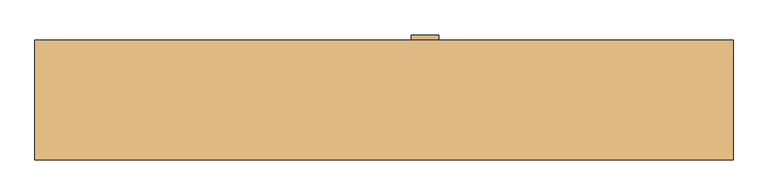
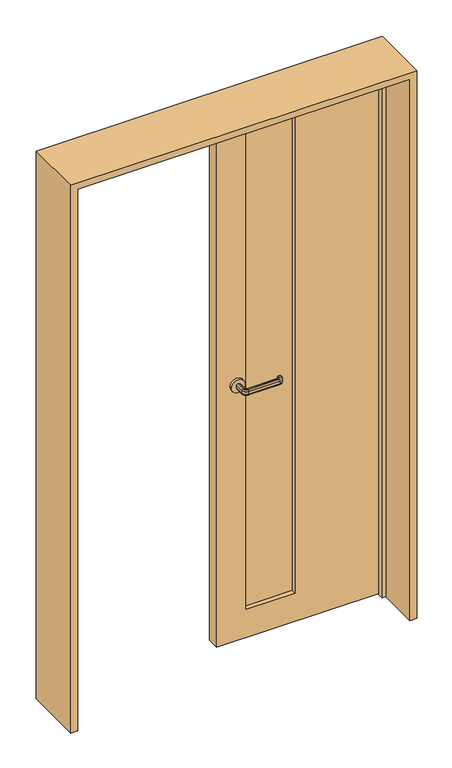
"""IFC4 building model written with IfcOpenShell, lengths in millimetres: door geometry."""

from ifc_helpers import new_model, si_unit, point, frame, frame_2d, origin, place, context, project, spatial, polyline, circle_curve, ellipse_curve, trimmed, segment, composite_curve, outline, extrude, faceted_brep, source, transform, mapped, element, save
from ifc_brep_helpers import plane_surface, cylinder_surface, revolved_surface, advanced_brep


def door_27b99b80(model_context):
    return source(origin(), model_context, "Body", "SolidModel", [
        advanced_brep(
        [(77.0, 55.0, 995.0), (73.0, 55.0, 995.0), (68.0, 55.0, 1000.0), (68.0, 55.0, 1010.0), (73.0, 55.0, 1015.0), (77.0, 55.0, 1015.0), (82.0, 55.0, 1010.0), (82.0, 55.0, 1000.0), (77.0, 22.5, 995.0), (85.0, 14.5, 995.0), (200.0, 14.5, 995.0), (208.0, 22.5, 995.0), (208.0, 27.5, 995.0), (212.0, 27.5, 995.0), (212.0, 22.5, 995.0), (200.0, 10.5, 995.0), (85.0, 10.5, 995.0), (73.0, 22.5, 995.0), (68.0, 22.5, 1000.0), (68.0, 22.5, 1010.0), (73.0, 22.5, 1015.0), (85.0, 10.5, 1015.0), (200.0, 10.5, 1015.0), (212.0, 22.5, 1015.0), (212.0, 27.5, 1015.0), (208.0, 27.5, 1015.0), (208.0, 22.5, 1015.0), (200.0, 14.5, 1015.0), (85.0, 14.5, 1015.0), (77.0, 22.5, 1015.0), (82.0, 22.5, 1010.0), (82.0, 22.5, 1000.0), (85.0, 5.5, 1000.0), (85.0, 5.5, 1010.0), (85.0, 19.5, 1010.0), (85.0, 19.5, 1000.0), (200.0, 5.5, 1000.0), (200.0, 5.5, 1010.0), (200.0, 19.5, 1010.0), (200.0, 19.5, 1000.0), (217.0, 22.5, 1000.0), (217.0, 22.5, 1010.0), (203.0, 22.5, 1010.0), (203.0, 22.5, 1000.0), (203.0, 27.5, 1000.0), (203.0, 27.5, 1010.0), (217.0, 27.5, 1010.0), (217.0, 27.5, 1000.0)],
        [
            (0, 1),
            (1, 2, circle_curve(frame((73.0, 55.0, 1000.0), z_axis=(0.0, 1.0, 0.0), x_axis=(1.0, 0.0, 0.0)), 5.0)),
            (2, 3),
            (3, 4, circle_curve(frame((73.0, 55.0, 1010.0), z_axis=(0.0, 1.0, 0.0), x_axis=(1.0, 0.0, 0.0)), 5.0)),
            (4, 5),
            (5, 6, circle_curve(frame((77.0, 55.0, 1010.0), z_axis=(0.0, 1.0, 0.0), x_axis=(1.0, 0.0, 0.0)), 5.0)),
            (6, 7),
            (7, 0, circle_curve(frame((77.0, 55.0, 1000.0), z_axis=(0.0, 1.0, 0.0), x_axis=(1.0, 0.0, 0.0)), 5.0)),
            (0, 8),
            (8, 9, circle_curve(frame((85.0, 22.5, 995.0), z_axis=(0.0, 0.0, 1.0), x_axis=(-1.0, 0.0, 0.0)), 8.0)),
            (9, 10),
            (10, 11, circle_curve(frame((200.0, 22.5, 995.0), z_axis=(0.0, 0.0, 1.0), x_axis=(0.0, -1.0, 0.0)), 8.0)),
            (11, 12),
            (12, 13),
            (13, 14),
            (14, 15, circle_curve(frame((200.0, 22.5, 995.0), z_axis=(0.0, 0.0, -1.0), x_axis=(0.0, -1.0, 0.0)), 12.0)),
            (15, 16),
            (16, 17, circle_curve(frame((85.0, 22.5, 995.0), z_axis=(0.0, 0.0, -1.0), x_axis=(-1.0, 0.0, 0.0)), 12.0)),
            (17, 1),
            (17, 18, circle_curve(frame((73.0, 22.5, 1000.0), z_axis=(0.0, 1.0, 0.0), x_axis=(1.0, 0.0, 0.0)), 5.0)),
            (18, 2),
            (18, 19),
            (19, 3),
            (19, 20, circle_curve(frame((73.0, 22.5, 1010.0), z_axis=(0.0, 1.0, 0.0), x_axis=(1.0, 0.0, 0.0)), 5.0)),
            (20, 4),
            (20, 21, circle_curve(frame((85.0, 22.5, 1015.0), z_axis=(0.0, 0.0, 1.0), x_axis=(-1.0, 0.0, 0.0)), 12.0)),
            (21, 22),
            (22, 23, circle_curve(frame((200.0, 22.5, 1015.0), z_axis=(0.0, 0.0, 1.0), x_axis=(0.0, -1.0, 0.0)), 12.0)),
            (23, 24),
            (24, 25),
            (25, 26),
            (26, 27, circle_curve(frame((200.0, 22.5, 1015.0), z_axis=(0.0, 0.0, -1.0), x_axis=(0.0, -1.0, 0.0)), 8.0)),
            (27, 28),
            (28, 29, circle_curve(frame((85.0, 22.5, 1015.0), z_axis=(0.0, 0.0, -1.0), x_axis=(-1.0, 0.0, 0.0)), 8.0)),
            (29, 5),
            (29, 30, circle_curve(frame((77.0, 22.5, 1010.0), z_axis=(0.0, 1.0, 0.0), x_axis=(1.0, 0.0, 0.0)), 5.0)),
            (30, 6),
            (30, 31),
            (31, 7),
            (31, 8, circle_curve(frame((77.0, 22.5, 1000.0), z_axis=(0.0, 1.0, 0.0), x_axis=(1.0, 0.0, 0.0)), 5.0)),
            (32, 18, circle_curve(frame((85.0, 22.5, 1000.0), z_axis=(0.0, 0.0, -1.0), x_axis=(-1.0, 0.0, 0.0)), 17.0)),
            (16, 32, circle_curve(frame((85.0, 10.5, 1000.0), z_axis=(-1.0, 0.0, 0.0), x_axis=(0.0, 1.0, 0.0)), 5.0)),
            (33, 19, circle_curve(frame((85.0, 22.5, 1010.0), z_axis=(0.0, 0.0, -1.0), x_axis=(-1.0, 0.0, 0.0)), 17.0)),
            (32, 33),
            (33, 21, circle_curve(frame((85.0, 10.5, 1010.0), z_axis=(-1.0, 0.0, 0.0), x_axis=(0.0, 1.0, 0.0)), 5.0)),
            (34, 30, circle_curve(frame((85.0, 22.5, 1010.0), z_axis=(0.0, 0.0, -1.0), x_axis=(-1.0, 0.0, 0.0)), 3.0)),
            (28, 34, circle_curve(frame((85.0, 14.5, 1010.0), z_axis=(-1.0, 0.0, 0.0), x_axis=(0.0, 1.0, 0.0)), 5.0)),
            (35, 31, circle_curve(frame((85.0, 22.5, 1000.0), z_axis=(0.0, 0.0, -1.0), x_axis=(-1.0, 0.0, 0.0)), 3.0)),
            (34, 35),
            (35, 9, circle_curve(frame((85.0, 14.5, 1000.0), z_axis=(-1.0, 0.0, 0.0), x_axis=(0.0, 1.0, 0.0)), 5.0)),
            (15, 36, circle_curve(frame((200.0, 10.5, 1000.0), z_axis=(-1.0, 0.0, 0.0), x_axis=(0.0, 1.0, 0.0)), 5.0)),
            (36, 32),
            (36, 37),
            (37, 33),
            (37, 22, circle_curve(frame((200.0, 10.5, 1010.0), z_axis=(-1.0, 0.0, 0.0), x_axis=(0.0, 1.0, 0.0)), 5.0)),
            (27, 38, circle_curve(frame((200.0, 14.5, 1010.0), z_axis=(-1.0, 0.0, 0.0), x_axis=(0.0, 1.0, 0.0)), 5.0)),
            (38, 34),
            (38, 39),
            (39, 35),
            (39, 10, circle_curve(frame((200.0, 14.5, 1000.0), z_axis=(-1.0, 0.0, 0.0), x_axis=(0.0, 1.0, 0.0)), 5.0)),
            (40, 36, circle_curve(frame((200.0, 22.5, 1000.0), z_axis=(0.0, 0.0, -1.0), x_axis=(0.0, -1.0, 0.0)), 17.0)),
            (14, 40, circle_curve(frame((212.0, 22.5, 1000.0), z_axis=(0.0, -1.0, 0.0), x_axis=(-1.0, 0.0, 0.0)), 5.0)),
            (41, 37, circle_curve(frame((200.0, 22.5, 1010.0), z_axis=(0.0, 0.0, -1.0), x_axis=(0.0, -1.0, 0.0)), 17.0)),
            (40, 41),
            (41, 23, circle_curve(frame((212.0, 22.5, 1010.0), z_axis=(0.0, -1.0, 0.0), x_axis=(-1.0, 0.0, 0.0)), 5.0)),
            (42, 38, circle_curve(frame((200.0, 22.5, 1010.0), z_axis=(0.0, 0.0, -1.0), x_axis=(0.0, -1.0, 0.0)), 3.0)),
            (26, 42, circle_curve(frame((208.0, 22.5, 1010.0), z_axis=(0.0, -1.0, 0.0), x_axis=(-1.0, 0.0, 0.0)), 5.0)),
            (43, 39, circle_curve(frame((200.0, 22.5, 1000.0), z_axis=(0.0, 0.0, -1.0), x_axis=(0.0, -1.0, 0.0)), 3.0)),
            (42, 43),
            (43, 11, circle_curve(frame((208.0, 22.5, 1000.0), z_axis=(0.0, -1.0, 0.0), x_axis=(-1.0, 0.0, 0.0)), 5.0)),
            (12, 44, circle_curve(frame((208.0, 27.5, 1000.0), z_axis=(0.0, 1.0, 0.0), x_axis=(-1.0, 0.0, 0.0)), 5.0)),
            (44, 45),
            (45, 25, circle_curve(frame((208.0, 27.5, 1010.0), z_axis=(0.0, 1.0, 0.0), x_axis=(-1.0, 0.0, 0.0)), 5.0)),
            (24, 46, circle_curve(frame((212.0, 27.5, 1010.0), z_axis=(0.0, 1.0, 0.0), x_axis=(-1.0, 0.0, 0.0)), 5.0)),
            (46, 47),
            (47, 13, circle_curve(frame((212.0, 27.5, 1000.0), z_axis=(0.0, 1.0, 0.0), x_axis=(-1.0, 0.0, 0.0)), 5.0)),
            (47, 40),
            (46, 41),
            (45, 42),
            (44, 43),
        ],
        [
            plane_surface(frame((64.801961, 55.0, 1005.0), z_axis=(0.0, 1.0, 0.0), x_axis=(0.0, 0.0, -1.0))),
            plane_surface(frame((77.0, 55.0, 995.0), z_axis=(0.0, 0.0, -1.0), x_axis=(0.0, -1.0, 0.0))),
            cylinder_surface(frame((73.0, 55.0, 1000.0), z_axis=(0.0, 1.0, 0.0), x_axis=(1.0, 0.0, 0.0)), 5.0),
            plane_surface(frame((68.0, 55.0, 1000.0), z_axis=(-1.0, 0.0, 0.0), x_axis=(0.0, -1.0, 0.0))),
            cylinder_surface(frame((73.0, 55.0, 1010.0), z_axis=(0.0, 1.0, 0.0), x_axis=(1.0, 0.0, 0.0)), 5.0),
            plane_surface(frame((73.0, 55.0, 1015.0), z_axis=(0.0, 0.0, 1.0), x_axis=(0.0, -1.0, 0.0))),
            cylinder_surface(frame((77.0, 55.0, 1010.0), z_axis=(0.0, 1.0, 0.0), x_axis=(1.0, 0.0, 0.0)), 5.0),
            plane_surface(frame((82.0, 55.0, 1010.0), z_axis=(1.0, 0.0, 0.0), x_axis=(0.0, -1.0, 0.0))),
            cylinder_surface(frame((77.0, 55.0, 1000.0), z_axis=(0.0, 1.0, 0.0), x_axis=(1.0, 0.0, 0.0)), 5.0),
            revolved_surface(trimmed(ellipse_curve(frame((73.0, 22.5, 1000.0), z_axis=(0.0, 1.0, 0.0), x_axis=(1.0, 0.0, 0.0)), 5.0, 5.0), [point((73.0, 22.5, 995.0))], [point((68.0, 22.5, 1000.0))], True, "CARTESIAN"), (85.0, 22.5, 1005.0), (0.0, 0.0, 1.0)),
            cylinder_surface(frame((85.0, 22.5, 1005.0), z_axis=(0.0, 0.0, 1.0), x_axis=(-1.0, 0.0, 0.0)), 17.0),
            revolved_surface(trimmed(ellipse_curve(frame((73.0, 22.5, 1010.0), z_axis=(0.0, 1.0, 0.0), x_axis=(1.0, 0.0, 0.0)), 5.0, 5.0), [point((68.0, 22.5, 1010.0))], [point((73.0, 22.5, 1015.0))], True, "CARTESIAN"), (85.0, 22.5, 1005.0), (0.0, 0.0, 1.0)),
            revolved_surface(trimmed(ellipse_curve(frame((77.0, 22.5, 1010.0), z_axis=(0.0, 1.0, 0.0), x_axis=(1.0, 0.0, 0.0)), 5.0, 5.0), [point((77.0, 22.5, 1015.0))], [point((82.0, 22.5, 1010.0))], True, "CARTESIAN"), (85.0, 22.5, 1005.0), (0.0, 0.0, 1.0)),
            revolved_surface(polyline([(82.0, 22.5, 1010.0), (82.0, 22.5, 1000.0)]), (85.0, 22.5, 1005.0), (0.0, 0.0, 1.0)),
            revolved_surface(trimmed(ellipse_curve(frame((77.0, 22.5, 1000.0), z_axis=(0.0, 1.0, 0.0), x_axis=(1.0, 0.0, 0.0)), 5.0, 5.0), [point((82.0, 22.5, 1000.0))], [point((77.0, 22.5, 995.0))], True, "CARTESIAN"), (85.0, 22.5, 1005.0), (0.0, 0.0, 1.0)),
            cylinder_surface(frame((85.0, 10.5, 1000.0), z_axis=(-1.0, 0.0, 0.0), x_axis=(0.0, 1.0, 0.0)), 5.0),
            plane_surface(frame((85.0, 5.5, 1000.0), z_axis=(0.0, -1.0, 0.0), x_axis=(1.0, 0.0, 0.0))),
            cylinder_surface(frame((85.0, 10.5, 1010.0), z_axis=(-1.0, 0.0, 0.0), x_axis=(0.0, 1.0, 0.0)), 5.0),
            cylinder_surface(frame((85.0, 14.5, 1010.0), z_axis=(-1.0, 0.0, 0.0), x_axis=(0.0, 1.0, 0.0)), 5.0),
            plane_surface(frame((85.0, 19.5, 1010.0), z_axis=(0.0, 1.0, 0.0), x_axis=(1.0, 0.0, 0.0))),
            cylinder_surface(frame((85.0, 14.5, 1000.0), z_axis=(-1.0, 0.0, 0.0), x_axis=(0.0, 1.0, 0.0)), 5.0),
            revolved_surface(trimmed(ellipse_curve(frame((200.0, 10.5, 1000.0), z_axis=(-1.0, 0.0, 0.0), x_axis=(0.0, 1.0, 0.0)), 5.0, 5.0), [point((200.0, 10.5, 995.0))], [point((200.0, 5.5, 1000.0))], True, "CARTESIAN"), (200.0, 22.5, 1005.0), (0.0, 0.0, 1.0)),
            cylinder_surface(frame((200.0, 22.5, 1005.0), z_axis=(0.0, 0.0, 1.0), x_axis=(0.0, -1.0, 0.0)), 17.0),
            revolved_surface(trimmed(ellipse_curve(frame((200.0, 10.5, 1010.0), z_axis=(-1.0, 0.0, 0.0), x_axis=(0.0, 1.0, 0.0)), 5.0, 5.0), [point((200.0, 5.5, 1010.0))], [point((200.0, 10.5, 1015.0))], True, "CARTESIAN"), (200.0, 22.5, 1005.0), (0.0, 0.0, 1.0)),
            revolved_surface(trimmed(ellipse_curve(frame((200.0, 14.5, 1010.0), z_axis=(-1.0, 0.0, 0.0), x_axis=(0.0, 1.0, 0.0)), 5.0, 5.0), [point((200.0, 14.5, 1015.0))], [point((200.0, 19.5, 1010.0))], True, "CARTESIAN"), (200.0, 22.5, 1005.0), (0.0, 0.0, 1.0)),
            revolved_surface(polyline([(200.0, 19.5, 1010.0), (200.0, 19.5, 1000.0)]), (200.0, 22.5, 1005.0), (0.0, 0.0, 1.0)),
            revolved_surface(trimmed(ellipse_curve(frame((200.0, 14.5, 1000.0), z_axis=(-1.0, 0.0, 0.0), x_axis=(0.0, 1.0, 0.0)), 5.0, 5.0), [point((200.0, 19.5, 1000.0))], [point((200.0, 14.5, 995.0))], True, "CARTESIAN"), (200.0, 22.5, 1005.0), (0.0, 0.0, 1.0)),
            plane_surface(frame((199.801961, 27.5, 1005.0), z_axis=(0.0, 1.0, 0.0), x_axis=(0.0, 0.0, 1.0))),
            cylinder_surface(frame((212.0, 22.5, 1000.0), z_axis=(0.0, -1.0, 0.0), x_axis=(-1.0, 0.0, 0.0)), 5.0),
            plane_surface(frame((217.0, 22.5, 1000.0), z_axis=(1.0, 0.0, 0.0), x_axis=(0.0, 1.0, 0.0))),
            cylinder_surface(frame((212.0, 22.5, 1010.0), z_axis=(0.0, -1.0, 0.0), x_axis=(-1.0, 0.0, 0.0)), 5.0),
            cylinder_surface(frame((208.0, 22.5, 1010.0), z_axis=(0.0, -1.0, 0.0), x_axis=(-1.0, 0.0, 0.0)), 5.0),
            plane_surface(frame((203.0, 22.5, 1010.0), z_axis=(-1.0, 0.0, 0.0), x_axis=(0.0, 1.0, 0.0))),
            cylinder_surface(frame((208.0, 22.5, 1000.0), z_axis=(0.0, -1.0, 0.0), x_axis=(-1.0, 0.0, 0.0)), 5.0),
        ],
        [
            (0, [[1, 2, 3, 4, 5, 6, 7, 8]]),
            (1, [[-1, 9, 10, 11, 12, 13, 14, 15, 16, 17, 18, 19]]),
            (2, [[-2, -19, 20, 21]]),
            (3, [[-3, -21, 22, 23]]),
            (4, [[-4, -23, 24, 25]]),
            (5, [[-5, -25, 26, 27, 28, 29, 30, 31, 32, 33, 34, 35]]),
            (6, [[-6, -35, 36, 37]]),
            (7, [[-7, -37, 38, 39]]),
            (8, [[-8, -39, 40, -9]]),
            (9, [[41, -20, -18, 42]]),
            (10, [[43, -22, -41, 44]]),
            (11, [[-26, -24, -43, 45]]),
            (12, [[46, -36, -34, 47]]),
            (13, [[48, -38, -46, 49]]),
            (14, [[-10, -40, -48, 50]]),
            (15, [[-42, -17, 51, 52]]),
            (16, [[-44, -52, 53, 54]]),
            (17, [[-45, -54, 55, -27]]),
            (18, [[-47, -33, 56, 57]]),
            (19, [[-49, -57, 58, 59]]),
            (20, [[-50, -59, 60, -11]]),
            (21, [[61, -51, -16, 62]]),
            (22, [[63, -53, -61, 64]]),
            (23, [[-28, -55, -63, 65]]),
            (24, [[66, -56, -32, 67]]),
            (25, [[68, -58, -66, 69]]),
            (26, [[-12, -60, -68, 70]]),
            (27, [[71, 72, 73, -30, 74, 75, 76, -14]]),
            (28, [[-62, -15, -76, 77]]),
            (29, [[-64, -77, -75, 78]]),
            (30, [[-65, -78, -74, -29]]),
            (31, [[-67, -31, -73, 79]]),
            (32, [[-69, -79, -72, 80]]),
            (33, [[-70, -80, -71, -13]]),
        ],
    ),
        extrude(outline(composite_curve([segment(trimmed(circle_curve(frame_2d((1005.0, 75.0)), 25.0), [point((1005.0, 50.0))], [point((1005.0, 100.0))], False, "CARTESIAN"), True, "CONTINUOUS"), segment(trimmed(circle_curve(frame_2d((1005.0, 75.0)), 25.0), [point((1005.0, 100.0))], [point((1005.0, 50.0))], False, "CARTESIAN"), True, "CONTINUOUS")], self_intersect=False)), frame((0.0, 110.0, 0.0), z_axis=(0.0, 1.0, 0.0), x_axis=(0.0, 0.0, 1.0)), (0.0, 0.0, 1.0), 10.0),
        extrude(outline(composite_curve([segment(trimmed(circle_curve(frame_2d((1005.0, 75.0)), 25.0), [point((1005.0, 50.0))], [point((1005.0, 100.0))], False, "CARTESIAN"), True, "CONTINUOUS"), segment(trimmed(circle_curve(frame_2d((1005.0, 75.0)), 25.0), [point((1005.0, 100.0))], [point((1005.0, 50.0))], False, "CARTESIAN"), True, "CONTINUOUS")], self_intersect=False)), frame((0.0, 55.0, 0.0), z_axis=(0.0, 1.0, 0.0), x_axis=(0.0, 0.0, 1.0)), (0.0, 0.0, 1.0), 10.0),
        extrude(outline(polyline([(290.0, 82.5), (110.0, 82.5), (110.0, 92.5), (290.0, 92.5), (290.0, 82.5)])), frame((0.0, 0.0, 115.0), z_axis=(0.0, 0.0, 1.0), x_axis=(1.0, 0.0, 0.0)), (0.0, 0.0, 1.0), 1890.0),
        extrude(outline(polyline([(5.0, 615.0), (2115.0, 615.0), (2115.0, 0.0), (5.0, 0.0), (5.0, 615.0)]), holes=[polyline([(2005.0, 290.0), (115.0, 290.0), (115.0, 110.0), (2005.0, 110.0), (2005.0, 290.0)])]), frame((0.0, 65.0, 0.0), z_axis=(0.0, 1.0, 0.0), x_axis=(0.0, 0.0, 1.0)), (0.0, 0.0, 1.0), 45.0),
        faceted_brep([(-640.0, 110.0, 0.0), (-615.0, 110.0, 0.0), (-615.0, 65.0, 0.0), (-600.0, 65.0, 0.0), (-600.0, 45.0, 0.0), (-615.0, 45.0, 0.0), (-615.0, -110.0, 0.0), (-640.0, -110.0, 0.0), (-640.0, 110.0, 2140.0), (640.0, 110.0, 2140.0), (640.0, 110.0, 0.0), (615.0, 110.0, 0.0), (615.0, 110.0, 2115.0), (-615.0, 110.0, 2115.0), (-615.0, 65.0, 2115.0), (615.0, 65.0, 2115.0), (615.0, 65.0, 0.0), (600.0, 65.0, 0.0), (600.0, 65.0, 2100.0), (-600.0, 65.0, 2100.0), (-600.0, 45.0, 2100.0), (600.0, 45.0, 2100.0), (600.0, 45.0, 0.0), (615.0, 45.0, 0.0), (615.0, 45.0, 2115.0), (-615.0, 45.0, 2115.0), (-615.0, -110.0, 2115.0), (615.0, -110.0, 2115.0), (615.0, -110.0, 0.0), (640.0, -110.0, 0.0), (640.0, -110.0, 2140.0), (-640.0, -110.0, 2140.0)], [[[0, 1, 2, 3, 4, 5, 6, 7]], [[1, 0, 8, 9, 10, 11, 12, 13]], [[2, 1, 13, 14]], [[3, 2, 14, 15, 16, 17, 18, 19]], [[4, 3, 19, 20]], [[5, 4, 20, 21, 22, 23, 24, 25]], [[6, 5, 25, 26]], [[7, 6, 26, 27, 28, 29, 30, 31]], [[0, 7, 31, 8]], [[14, 13, 12, 15]], [[20, 19, 18, 21]], [[26, 25, 24, 27]], [[8, 31, 30, 9]], [[10, 29, 28, 23, 22, 17, 16, 11]], [[15, 12, 11, 16]], [[21, 18, 17, 22]], [[27, 24, 23, 28]], [[9, 30, 29, 10]]]),
    ])


if __name__ == "__main__":
    model = new_model("IFC4")
    model_context = context("Model", 3, world=origin())
    ifc_project = project(units=[si_unit("LENGTHUNIT", "METRE", prefix="MILLI")], contexts=[model_context])
    site = spatial("IfcSite", under=ifc_project)
    building = spatial("IfcBuilding", under=site)
    placement = place(None, origin())
    door_shape = door_27b99b80(model_context)
    element("IfcDoor", 1, at=placement, inside=building, context=model_context, shape_type="MappedRepresentation", body=[
        mapped(door_shape, transform((0.0, 0.0, 0.0), x_axis=(1.0, 0.0, 0.0), y_axis=(0.0, 1.0, 0.0), z_axis=(0.0, 0.0, 1.0))),
    ])
    save(model, "model.ifc")
